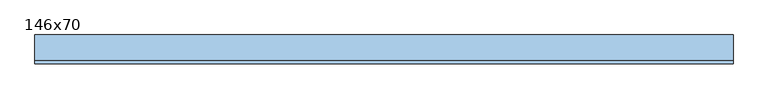
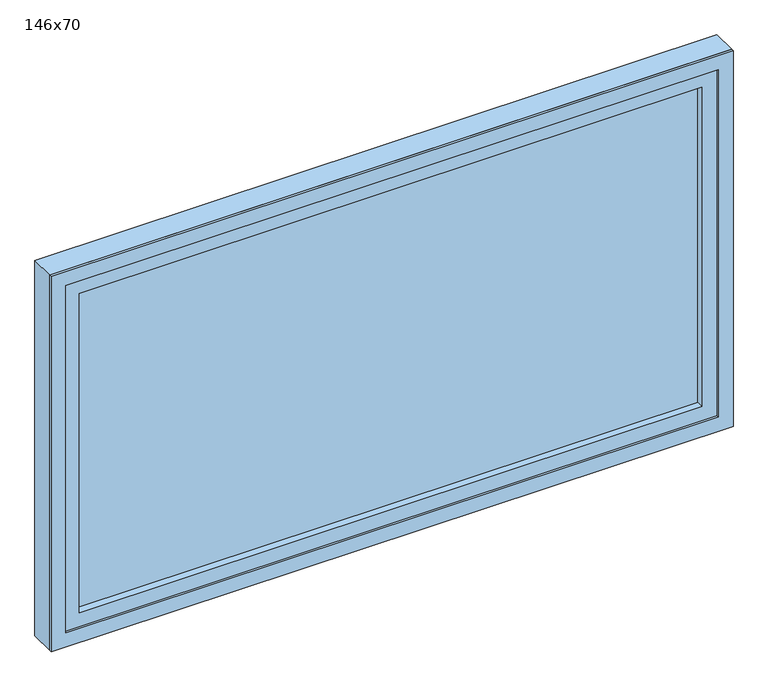
"""IFC4 building model written with IfcOpenShell, lengths in millimetres: window geometry, 146x70."""

from ifc_helpers import new_model, si_unit, frame, origin, place, context, project, spatial, polyline, outline, extrude, source, transform, mapped, element, save


def window_146x70_881a55b4(model_context):
    return source(origin(), model_context, "Body", "SweptSolid", [
        extrude(outline(polyline([(628.4, -8.575), (-704.6, -8.575), (-704.6, 4.125), (628.4, 4.125), (628.4, -8.575)])), frame((0.0, 0.0, 977.9), z_axis=(0.0, 0.0, 1.0), x_axis=(1.0, 0.0, 0.0)), (0.0, 0.0, 1.0), 723.0),
        extrude(outline(polyline([(1745.35, -749.05), (933.45, -749.05), (933.45, 672.85), (1745.35, 672.85), (1745.35, -749.05)]), holes=[polyline([(1700.9, -704.6), (1700.9, 628.4), (977.9, 628.4), (977.9, -704.6), (1700.9, -704.6)])]), frame((0.0, -24.45, 0.0), z_axis=(0.0, 1.0, 0.0), x_axis=(0.0, 0.0, 1.0)), (0.0, 0.0, 1.0), 44.45),
        extrude(outline(polyline([(1764.4, -768.1), (914.4, -768.1), (914.4, 691.9), (1764.4, 691.9), (1764.4, -768.1)]), holes=[polyline([(1732.65, -736.35), (1732.65, 660.15), (946.15, 660.15), (946.15, -736.35), (1732.65, -736.35)])]), frame((0.0, -30.0, 0.0), z_axis=(0.0, 1.0, 0.0), x_axis=(0.0, 0.0, 1.0)), (0.0, 0.0, 1.0), 5.55),
        extrude(outline(polyline([(1764.4, 691.9), (1764.4, -768.1), (914.4, -768.1), (914.4, 691.9), (1764.4, 691.9)]), holes=[polyline([(1745.35, 672.85), (933.45, 672.85), (933.45, -749.05), (1745.35, -749.05), (1745.35, 672.85)])]), frame((0.0, -24.45, 0.0), z_axis=(0.0, 1.0, 0.0), x_axis=(0.0, 0.0, 1.0)), (0.0, 0.0, 1.0), 54.45),
    ])


if __name__ == "__main__":
    model = new_model("IFC4")
    model_context = context("Model", 3, world=origin())
    ifc_project = project(units=[si_unit("LENGTHUNIT", "METRE", prefix="MILLI")], contexts=[model_context])
    site = spatial("IfcSite", under=ifc_project)
    building = spatial("IfcBuilding", under=site)
    placement = place(None, origin())
    window_146x70_shape = window_146x70_881a55b4(model_context)
    element("IfcWindow", 1, ObjectType="146x70", at=placement, inside=building, context=model_context, shape_type="MappedRepresentation", body=[
        mapped(window_146x70_shape, transform((0.0, 0.0, 0.0), x_axis=(1.0, 0.0, 0.0), y_axis=(0.0, 1.0, 0.0), z_axis=(0.0, 0.0, 1.0))),
    ])
    save(model, "model.ifc")
